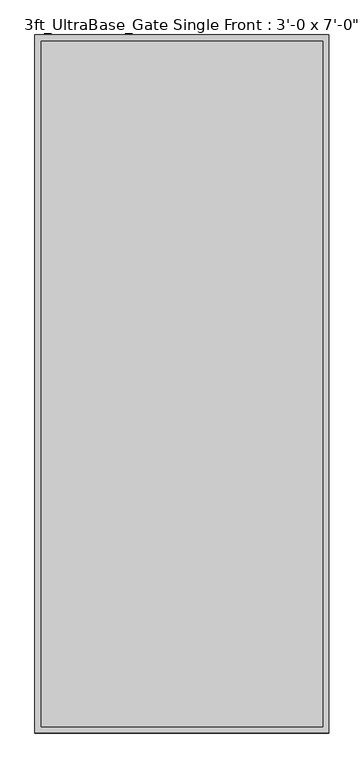
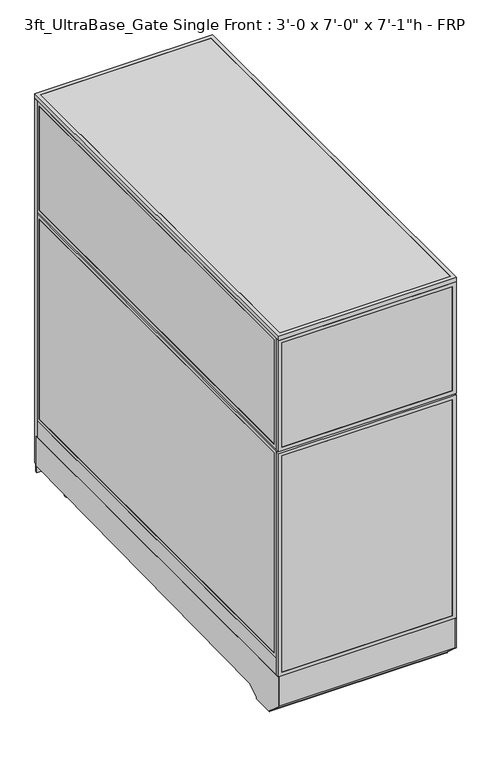
"""IFC4 building model written with IfcOpenShell, lengths in millimetres: proxy geometry."""

from ifc_helpers import new_model, si_unit, point, frame, frame_2d, origin, origin_with_axes, place, context, project, spatial, polyline, circle_curve, trimmed, segment, composite_curve, outline, extrude, source, transform, mapped, element, save


def proxy_196b787a(model_context):
    return source(origin(), model_context, "Body", "SweptSolid", [
        extrude(outline(composite_curve([segment(trimmed(circle_curve(frame_2d((121.1505315, 350.6380208)), 38.1), [point((83.0505315, 350.6380208))], [point((159.2505315, 350.6380208))], False, "CARTESIAN"), True, "CONTINUOUS"), segment(trimmed(circle_curve(frame_2d((121.1505315, 350.6380208)), 38.1), [point((159.2505315, 350.6380208))], [point((83.0505315, 350.6380208))], False, "CARTESIAN"), True, "CONTINUOUS")], self_intersect=False)), frame((0.0, 0.0, 103.9931848), z_axis=(0.0, 0.0, 1.0), x_axis=(1.0, 0.0, 0.0)), (0.0, 0.0, 1.0), 12.9784433),
        extrude(outline(composite_curve([segment(trimmed(circle_curve(frame_2d((121.1505315, 350.6380208)), 12.7), [point((108.4505315, 350.6380208))], [point((133.8505315, 350.6380208))], False, "CARTESIAN"), True, "CONTINUOUS"), segment(trimmed(circle_curve(frame_2d((121.1505315, 350.6380208)), 12.7), [point((133.8505315, 350.6380208))], [point((108.4505315, 350.6380208))], False, "CARTESIAN"), True, "CONTINUOUS")], self_intersect=False)), frame((0.0, 0.0, 6.35), z_axis=(0.0, 0.0, 1.0), x_axis=(1.0, 0.0, 0.0)), (0.0, 0.0, 1.0), 97.6431848),
        extrude(outline(composite_curve([segment(trimmed(circle_curve(frame_2d((121.1505315, 350.6380208)), 25.4), [point((95.7505315, 350.6380208))], [point((146.5505315, 350.6380208))], False, "CARTESIAN"), True, "CONTINUOUS"), segment(trimmed(circle_curve(frame_2d((121.1505315, 350.6380208)), 25.4), [point((146.5505315, 350.6380208))], [point((95.7505315, 350.6380208))], False, "CARTESIAN"), True, "CONTINUOUS")], self_intersect=False)), origin_with_axes(), (0.0, 0.0, 1.0), 6.35),
        extrude(outline(composite_curve([segment(trimmed(circle_curve(frame_2d((806.9505315, 350.6380208)), 38.1), [point((768.8505315, 350.6380208))], [point((845.0505315, 350.6380208))], False, "CARTESIAN"), True, "CONTINUOUS"), segment(trimmed(circle_curve(frame_2d((806.9505315, 350.6380208)), 38.1), [point((845.0505315, 350.6380208))], [point((768.8505315, 350.6380208))], False, "CARTESIAN"), True, "CONTINUOUS")], self_intersect=False)), frame((0.0, 0.0, 103.9931848), z_axis=(0.0, 0.0, 1.0), x_axis=(1.0, 0.0, 0.0)), (0.0, 0.0, 1.0), 12.9784433),
        extrude(outline(composite_curve([segment(trimmed(circle_curve(frame_2d((806.9505315, 350.6380208)), 12.7), [point((794.2505315, 350.6380208))], [point((819.6505315, 350.6380208))], False, "CARTESIAN"), True, "CONTINUOUS"), segment(trimmed(circle_curve(frame_2d((806.9505315, 350.6380208)), 12.7), [point((819.6505315, 350.6380208))], [point((794.2505315, 350.6380208))], False, "CARTESIAN"), True, "CONTINUOUS")], self_intersect=False)), frame((0.0, 0.0, 6.35), z_axis=(0.0, 0.0, 1.0), x_axis=(1.0, 0.0, 0.0)), (0.0, 0.0, 1.0), 97.6431848),
        extrude(outline(composite_curve([segment(trimmed(circle_curve(frame_2d((806.9505315, 350.6380208)), 25.4), [point((781.5505315, 350.6380208))], [point((832.3505315, 350.6380208))], False, "CARTESIAN"), True, "CONTINUOUS"), segment(trimmed(circle_curve(frame_2d((806.9505315, 350.6380208)), 25.4), [point((832.3505315, 350.6380208))], [point((781.5505315, 350.6380208))], False, "CARTESIAN"), True, "CONTINUOUS")], self_intersect=False)), origin_with_axes(), (0.0, 0.0, 1.0), 6.35),
        extrude(outline(composite_curve([segment(trimmed(circle_curve(frame_2d((120.4666548, 2051.132592)), 38.1), [point((82.3666548, 2051.132592))], [point((158.5666548, 2051.132592))], False, "CARTESIAN"), True, "CONTINUOUS"), segment(trimmed(circle_curve(frame_2d((120.4666548, 2051.132592)), 38.1), [point((158.5666548, 2051.132592))], [point((82.3666548, 2051.132592))], False, "CARTESIAN"), True, "CONTINUOUS")], self_intersect=False)), frame((0.0, 0.0, 135.7431848), z_axis=(0.0, 0.0, 1.0), x_axis=(1.0, 0.0, 0.0)), (0.0, 0.0, 1.0), 12.9784433),
        extrude(outline(composite_curve([segment(trimmed(circle_curve(frame_2d((120.4666548, 2051.132592)), 12.7), [point((107.7666548, 2051.132592))], [point((133.1666548, 2051.132592))], False, "CARTESIAN"), True, "CONTINUOUS"), segment(trimmed(circle_curve(frame_2d((120.4666548, 2051.132592)), 12.7), [point((133.1666548, 2051.132592))], [point((107.7666548, 2051.132592))], False, "CARTESIAN"), True, "CONTINUOUS")], self_intersect=False)), frame((0.0, 0.0, 6.35), z_axis=(0.0, 0.0, 1.0), x_axis=(1.0, 0.0, 0.0)), (0.0, 0.0, 1.0), 129.3931848),
        extrude(outline(composite_curve([segment(trimmed(circle_curve(frame_2d((120.4666548, 2051.132592)), 25.4), [point((95.0666548, 2051.132592))], [point((145.8666548, 2051.132592))], False, "CARTESIAN"), True, "CONTINUOUS"), segment(trimmed(circle_curve(frame_2d((120.4666548, 2051.132592)), 25.4), [point((145.8666548, 2051.132592))], [point((95.0666548, 2051.132592))], False, "CARTESIAN"), True, "CONTINUOUS")], self_intersect=False)), origin_with_axes(), (0.0, 0.0, 1.0), 6.35),
        extrude(outline(composite_curve([segment(trimmed(circle_curve(frame_2d((806.2666548, 2051.132592)), 38.1), [point((768.1666548, 2051.132592))], [point((844.3666548, 2051.132592))], False, "CARTESIAN"), True, "CONTINUOUS"), segment(trimmed(circle_curve(frame_2d((806.2666548, 2051.132592)), 38.1), [point((844.3666548, 2051.132592))], [point((768.1666548, 2051.132592))], False, "CARTESIAN"), True, "CONTINUOUS")], self_intersect=False)), frame((0.0, 0.0, 135.7431848), z_axis=(0.0, 0.0, 1.0), x_axis=(1.0, 0.0, 0.0)), (0.0, 0.0, 1.0), 12.9784433),
        extrude(outline(composite_curve([segment(trimmed(circle_curve(frame_2d((806.2666548, 2051.132592)), 12.7), [point((793.5666548, 2051.132592))], [point((818.9666548, 2051.132592))], False, "CARTESIAN"), True, "CONTINUOUS"), segment(trimmed(circle_curve(frame_2d((806.2666548, 2051.132592)), 12.7), [point((818.9666548, 2051.132592))], [point((793.5666548, 2051.132592))], False, "CARTESIAN"), True, "CONTINUOUS")], self_intersect=False)), frame((0.0, 0.0, 6.35), z_axis=(0.0, 0.0, 1.0), x_axis=(1.0, 0.0, 0.0)), (0.0, 0.0, 1.0), 129.3931848),
        extrude(outline(composite_curve([segment(trimmed(circle_curve(frame_2d((806.2666548, 2051.132592)), 25.4), [point((780.8666548, 2051.132592))], [point((831.6666548, 2051.132592))], False, "CARTESIAN"), True, "CONTINUOUS"), segment(trimmed(circle_curve(frame_2d((806.2666548, 2051.132592)), 25.4), [point((831.6666548, 2051.132592))], [point((780.8666548, 2051.132592))], False, "CARTESIAN"), True, "CONTINUOUS")], self_intersect=False)), origin_with_axes(), (0.0, 0.0, 1.0), 6.35),
        extrude(outline(polyline([(-19.05, 304.8), (2139.95, 304.8), (2139.95, 144.6534225), (238.733612, 113.4956461), (175.3928625, 76.9258473), (175.3928625, 69.0977369), (59.8970382, 69.0977369), (59.8970382, 73.3553835), (-19.05, 144.439616), (-19.05, 304.8)])), frame((0.0, 0.0, 0.0), z_axis=(1.0, 0.0, 0.0), x_axis=(0.0, 1.0, 0.0)), (0.0, 0.0, 1.0), 3.175),
        extrude(outline(polyline([(-19.05, 304.8), (2139.95, 304.8), (2139.95, 144.6534225), (238.733612, 113.4956461), (175.3928625, 76.9258473), (175.3928625, 69.0977369), (59.8970382, 69.0977369), (59.8970382, 73.3553835), (-19.05, 144.439616), (-19.05, 304.8)])), frame((911.225, 0.0, 0.0), z_axis=(1.0, 0.0, 0.0), x_axis=(0.0, 1.0, 0.0)), (0.0, 0.0, 1.0), 3.175),
        extrude(outline(polyline([(2139.95, 104.78262), (2139.95, 144.7169051), (238.733612, 113.4956461), (175.3928625, 76.9258473), (175.3928625, 69.0977369), (59.8970382, 69.0977369), (59.8970382, 73.3553835), (-19.05, 144.439616), (-19.05, 304.8), (-10.9434074, 304.8), (-10.9434074, 236.4996867), (-5.6766373, 236.4996867), (-2.6025146, 148.4683295), (68.18203, 84.7336392), (68.18203, 79.4164869), (167.804636, 79.4164869), (167.804636, 86.088281), (237.0845322, 126.0870477), (2152.65, 157.7730306), (2152.65, 104.78262), (2139.95, 104.78262)])), frame((3.175, 0.0, 0.0), z_axis=(1.0, 0.0, 0.0), x_axis=(0.0, 1.0, 0.0)), (0.0, 0.0, 1.0), 908.05),
        extrude(outline(polyline([(60.3189838, 2151.0625), (854.0810162, 2151.0625), (854.0810162, 2135.1875), (60.3189838, 2135.1875), (60.3189838, 2151.0625)])), frame((0.0, 0.0, 212.725), z_axis=(0.0, 0.0, 1.0), x_axis=(1.0, 0.0, 0.0)), (0.0, 0.0, 1.0), 1860.55),
        extrude(outline(polyline([(193.675, 41.2689838), (193.675, 873.1310162), (2092.325, 873.1310162), (2092.325, 41.2689838), (193.675, 41.2689838)]), holes=[polyline([(2073.275, 854.0810162), (212.725, 854.0810162), (212.725, 60.3189838), (2073.275, 60.3189838), (2073.275, 854.0810162)])]), frame((0.0, 2133.6, 0.0), z_axis=(0.0, 1.0, 0.0), x_axis=(0.0, 0.0, 1.0)), (0.0, 0.0, 1.0), 19.05),
        extrude(outline(polyline([(152.4, 0.0), (152.4, 914.4), (2133.6, 914.4), (2133.6, 0.0), (152.4, 0.0)]), holes=[polyline([(2114.55, 19.05), (2114.55, 895.35), (171.45, 895.35), (171.45, 19.05), (2114.55, 19.05)])]), frame((0.0, 2133.6, 0.0), z_axis=(0.0, 1.0, 0.0), x_axis=(0.0, 0.0, 1.0)), (0.0, 0.0, 1.0), 19.05),
        extrude(outline(polyline([(1519.2375, 914.4), (1519.2375, 0.0), (304.8, 0.0), (304.8, 914.4), (1519.2375, 914.4)]), holes=[polyline([(323.85, 895.35), (323.85, 19.05), (1500.1875, 19.05), (1500.1875, 895.35), (323.85, 895.35)])]), frame((0.0, -19.05, 0.0), z_axis=(0.0, 1.0, 0.0), x_axis=(0.0, 0.0, 1.0)), (0.0, 0.0, 1.0), 19.05),
        extrude(outline(polyline([(1528.7625, 914.4), (2133.6, 914.4), (2133.6, 0.0), (1528.7625, 0.0), (1528.7625, 914.4)]), holes=[polyline([(2114.55, 895.35), (1547.8125, 895.35), (1547.8125, 19.05), (2114.55, 19.05), (2114.55, 895.35)])]), frame((0.0, -19.05, 0.0), z_axis=(0.0, 1.0, 0.0), x_axis=(0.0, 0.0, 1.0)), (0.0, 0.0, 1.0), 19.05),
        extrude(outline(polyline([(895.35, -17.4625), (19.05, -17.4625), (19.05, -1.5875), (895.35, -1.5875), (895.35, -17.4625)])), frame((0.0, 0.0, 323.85), z_axis=(0.0, 0.0, 1.0), x_axis=(1.0, 0.0, 0.0)), (0.0, 0.0, 1.0), 1176.3375),
        extrude(outline(polyline([(895.35, -17.4625), (19.05, -17.4625), (19.05, -1.5875), (895.35, -1.5875), (895.35, -17.4625)])), frame((0.0, 0.0, 1547.8125), z_axis=(0.0, 0.0, 1.0), x_axis=(1.0, 0.0, 0.0)), (0.0, 0.0, 1.0), 566.7375),
        extrude(outline(polyline([(895.35, 0.0), (895.35, 2133.6), (914.4, 2133.6), (914.4, 0.0), (895.35, 0.0)])), frame((0.0, 0.0, 304.8), z_axis=(0.0, 0.0, 1.0), x_axis=(1.0, 0.0, 0.0)), (0.0, 0.0, 1.0), 88.9),
        extrude(outline(polyline([(2133.6, 393.7), (0.0, 393.7), (0.0, 1519.2375), (2133.6, 1519.2375), (2133.6, 393.7)]), holes=[polyline([(2114.55, 1500.1875), (19.05, 1500.1875), (19.05, 412.75), (2114.55, 412.75), (2114.55, 1500.1875)])]), frame((895.35, 0.0, 0.0), z_axis=(1.0, 0.0, 0.0), x_axis=(0.0, 1.0, 0.0)), (0.0, 0.0, 1.0), 19.05),
        extrude(outline(polyline([(0.0, 1528.7625), (0.0, 2133.6), (2133.6, 2133.6), (2133.6, 1528.7625), (0.0, 1528.7625)]), holes=[polyline([(19.05, 2114.55), (19.05, 1547.8125), (2114.55, 1547.8125), (2114.55, 2114.55), (19.05, 2114.55)])]), frame((895.35, 0.0, 0.0), z_axis=(1.0, 0.0, 0.0), x_axis=(0.0, 1.0, 0.0)), (0.0, 0.0, 1.0), 19.05),
        extrude(outline(polyline([(896.9375, 19.05), (896.9375, 2114.55), (912.8125, 2114.55), (912.8125, 19.05), (896.9375, 19.05)])), frame((0.0, 0.0, 412.75), z_axis=(0.0, 0.0, 1.0), x_axis=(1.0, 0.0, 0.0)), (0.0, 0.0, 1.0), 1087.4375),
        extrude(outline(polyline([(896.9375, 19.05), (896.9375, 2114.55), (912.8125, 2114.55), (912.8125, 19.05), (896.9375, 19.05)])), frame((0.0, 0.0, 1547.8125), z_axis=(0.0, 0.0, 1.0), x_axis=(1.0, 0.0, 0.0)), (0.0, 0.0, 1.0), 566.7375),
        extrude(outline(polyline([(0.0, 0.0), (0.0, 2133.6), (19.05, 2133.6), (19.05, 0.0), (0.0, 0.0)])), frame((0.0, 0.0, 304.8), z_axis=(0.0, 0.0, 1.0), x_axis=(1.0, 0.0, 0.0)), (0.0, 0.0, 1.0), 88.9),
        extrude(outline(polyline([(2133.6, 393.7), (0.0, 393.7), (0.0, 1519.2375), (2133.6, 1519.2375), (2133.6, 393.7)]), holes=[polyline([(2114.55, 1500.1875), (19.05, 1500.1875), (19.05, 412.75), (2114.55, 412.75), (2114.55, 1500.1875)])]), frame((0.0, 0.0, 0.0), z_axis=(1.0, 0.0, 0.0), x_axis=(0.0, 1.0, 0.0)), (0.0, 0.0, 1.0), 19.05),
        extrude(outline(polyline([(0.0, 1528.7625), (0.0, 2133.6), (2133.6, 2133.6), (2133.6, 1528.7625), (0.0, 1528.7625)]), holes=[polyline([(19.05, 2114.55), (19.05, 1547.8125), (2114.55, 1547.8125), (2114.55, 2114.55), (19.05, 2114.55)])]), frame((0.0, 0.0, 0.0), z_axis=(1.0, 0.0, 0.0), x_axis=(0.0, 1.0, 0.0)), (0.0, 0.0, 1.0), 19.05),
        extrude(outline(polyline([(1.5875, 19.05), (1.5875, 2114.55), (17.4625, 2114.55), (17.4625, 19.05), (1.5875, 19.05)])), frame((0.0, 0.0, 412.75), z_axis=(0.0, 0.0, 1.0), x_axis=(1.0, 0.0, 0.0)), (0.0, 0.0, 1.0), 1087.4375),
        extrude(outline(polyline([(1.5875, 19.05), (1.5875, 2114.55), (17.4625, 2114.55), (17.4625, 19.05), (1.5875, 19.05)])), frame((0.0, 0.0, 1547.8125), z_axis=(0.0, 0.0, 1.0), x_axis=(1.0, 0.0, 0.0)), (0.0, 0.0, 1.0), 566.7375),
        extrude(outline(polyline([(882.65, 622.3), (882.65, 609.6), (31.75, 609.6), (31.75, 622.3), (882.65, 622.3)])), frame((0.0, 0.0, 152.4), z_axis=(0.0, 0.0, 1.0), x_axis=(1.0, 0.0, 0.0)), (0.0, 0.0, 1.0), 152.4),
        extrude(outline(polyline([(882.65, 622.3), (882.65, 12.7), (31.75, 12.7), (31.75, 622.3), (882.65, 622.3)])), frame((0.0, 0.0, 304.8), z_axis=(0.0, 0.0, 1.0), x_axis=(1.0, 0.0, 0.0)), (0.0, 0.0, 1.0), 12.7),
        extrude(outline(polyline([(0.0, -19.05), (0.0, 2152.65), (914.4, 2152.65), (914.4, -19.05), (0.0, -19.05)]), holes=[polyline([(19.05, 0.0), (895.35, 0.0), (895.35, 2133.6), (19.05, 2133.6), (19.05, 0.0)])]), frame((0.0, 0.0, 2133.6), z_axis=(0.0, 0.0, 1.0), x_axis=(1.0, 0.0, 0.0)), (0.0, 0.0, 1.0), 25.4),
        extrude(outline(polyline([(895.35, 2133.6), (895.35, 0.0), (19.05, 0.0), (19.05, 2133.6), (895.35, 2133.6)])), frame((0.0, 0.0, 2133.6), z_axis=(0.0, 0.0, 1.0), x_axis=(1.0, 0.0, 0.0)), (0.0, 0.0, 1.0), 25.4),
    ])


if __name__ == "__main__":
    model = new_model("IFC4")
    model_context = context("Model", 3, world=origin())
    ifc_project = project(units=[si_unit("LENGTHUNIT", "METRE", prefix="MILLI")], contexts=[model_context])
    site = spatial("IfcSite", under=ifc_project)
    building = spatial("IfcBuilding", under=site)
    placement = place(None, origin())
    proxy_shape = proxy_196b787a(model_context)
    element("IfcBuildingElementProxy", 1, Name="3ft_UltraBase_Gate Single Front : 3'-0 x 7'-0\" x 7'-1\"h - FRP", ObjectType="3ft_UltraBase_Gate Single Front : 3'-0 x 7'-0\" x 7'-1\"h - FRP", at=placement, inside=building, context=model_context, shape_type="MappedRepresentation", body=[
        mapped(proxy_shape, transform((0.0, 0.0, 0.0), x_axis=(1.0, 0.0, 0.0), y_axis=(0.0, 1.0, 0.0), z_axis=(0.0, 0.0, 1.0))),
    ])
    save(model, "model.ifc")
